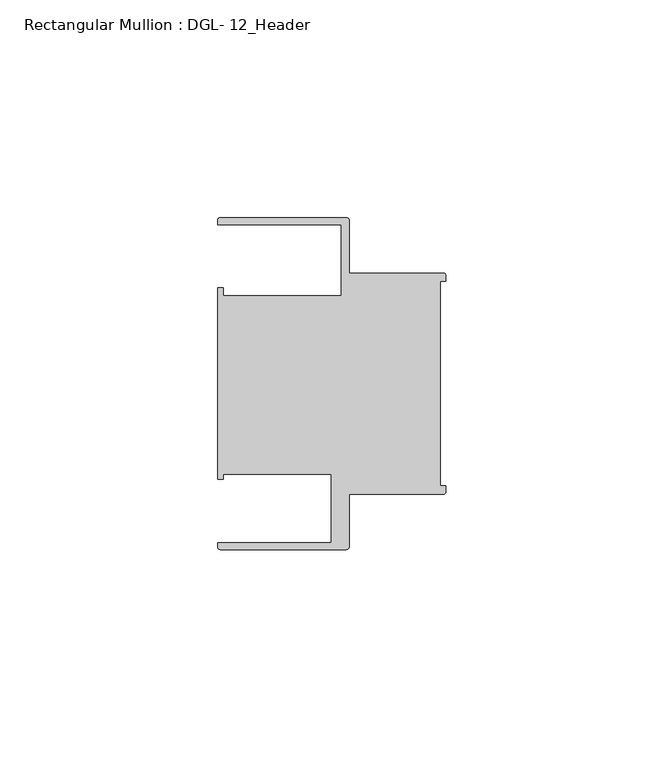
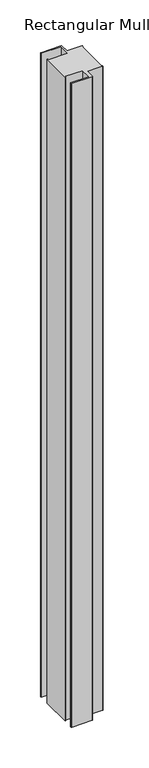
"""IFC4 building model written with IfcOpenShell, lengths in millimetres: member geometry, Rectangular Mullion : DGL- 12_Header."""

import ifcopenshell
import ifcopenshell.guid

model = None  # the IFC model being written
_history = None  # IfcOwnerHistory: only IFC2X3 demands one
_inside = {}  # id of a spatial element -> (the spatial element, [elements in it])
_under = {}  # id of a project, library or spatial element -> (it, [spatial elements below it])
_declared = {}  # id of a project -> (the project, [libraries it declares])
_typed = {}  # id of a type object -> (the type object, [elements of that type])
_made_of = {}  # id of a material, layer set ... -> (it, [elements and type objects made of it])


def new_model(schema):
    """Start an empty IFC model of exactly this schema.

    Asked for "IFC4X3", IfcOpenShell would pick the latest addendum, in which some entities
    have other attributes; the version numbers below select the first issue.
    IFC2X3 requires an IfcOwnerHistory on every rooted entity: one is made here for all.
    """
    global model, _history
    if schema == "IFC4X3":
        model = ifcopenshell.file(schema_version=(4, 3, 0, 0))
    else:
        model = ifcopenshell.file(schema=schema)
    _inside.clear()
    _under.clear()
    _declared.clear()
    _typed.clear()
    _made_of.clear()
    _history = None
    if model.schema == "IFC2X3":
        org = make("IfcOrganization", Name="unknown")
        user = make(
            "IfcPersonAndOrganization",
            ThePerson=make("IfcPerson", FamilyName="unknown"),
            TheOrganization=org,
        )
        app = make(
            "IfcApplication",
            ApplicationDeveloper=org,
            Version="unknown",
            ApplicationFullName="unknown",
            ApplicationIdentifier="unknown",
        )
        _history = make(
            "IfcOwnerHistory",
            OwningUser=user,
            OwningApplication=app,
            ChangeAction="ADDED",
            CreationDate=0,
        )
    return model


def make(cls, **values):
    """One entity of the class cls with the attributes given. An attribute that is None is left unset."""
    return model.create_entity(
        cls, **{name: value for name, value in values.items() if value is not None}
    )


def rooted(cls, **values):
    """An entity with a GlobalId (a new one), such as an element, a storey or a relation."""
    return make(cls, GlobalId=ifcopenshell.guid.new(), OwnerHistory=_history, **values)


def si_unit(unit_type, name, prefix=None):
    """IfcSIUnit, for example si_unit("LENGTHUNIT", "METRE", prefix="MILLI")."""
    return make("IfcSIUnit", UnitType=unit_type, Prefix=prefix, Name=name)


def assignment(units):
    """IfcUnitAssignment: the units of a project."""
    return None if units is None else make("IfcUnitAssignment", Units=units)


def point(xyz):
    """IfcCartesianPoint."""
    return None if xyz is None else make("IfcCartesianPoint", Coordinates=xyz)


def direction(xyz):
    """IfcDirection."""
    return None if xyz is None else make("IfcDirection", DirectionRatios=xyz)


def frame(location, z_axis=None, x_axis=None):
    """IfcAxis2Placement3D, a coordinate frame: its origin and axes. An axis left out is left unset."""
    return make(
        "IfcAxis2Placement3D",
        Location=point(location),
        Axis=direction(z_axis),
        RefDirection=direction(x_axis),
    )


def frame_2d(location, x_axis=None):
    """IfcAxis2Placement2D, a coordinate frame in the plane: its origin and x axis."""
    return make(
        "IfcAxis2Placement2D", Location=point(location), RefDirection=direction(x_axis)
    )


def origin():
    """The frame at (0, 0, 0) with its axes left unset."""
    return frame((0.0, 0.0, 0.0))


def place(relative_to, where):
    """IfcLocalPlacement: puts the frame where relative to a parent placement (None: the world)."""
    return make(
        "IfcLocalPlacement", PlacementRelTo=relative_to, RelativePlacement=where
    )


def context(
    kind, dimensions, precision=None, world=None, true_north=None, identifier=None
):
    """IfcGeometricRepresentationContext, for example the 3D "Model" context."""
    return make(
        "IfcGeometricRepresentationContext",
        ContextIdentifier=identifier,
        ContextType=kind,
        CoordinateSpaceDimension=dimensions,
        Precision=precision,
        WorldCoordinateSystem=world,
        TrueNorth=true_north,
    )


def project(units=None, contexts=None):
    """IfcProject with its units and contexts."""
    return rooted(
        "IfcProject",
        Name="project",
        RepresentationContexts=contexts,
        UnitsInContext=assignment(units),
    )


def spatial(cls, under=None, at=None, **own):
    """A site, building, storey or space (cls), placed at a placement, below another one or the project."""
    s = rooted(cls, ObjectPlacement=at, **own)
    if under is not None:
        _under.setdefault(under.id(), (under, []))[1].append(s)
    return s


def polyline(points):
    """IfcPolyline through the points."""
    return make("IfcPolyline", Points=[point(p) for p in points])


def circle_curve(where, radius):
    """IfcCircle in the frame where."""
    return make("IfcCircle", Position=where, Radius=radius)


def trimmed(basis, trim1, trim2, sense, master):
    """IfcTrimmedCurve: the piece of a basis curve between two trims."""
    return make(
        "IfcTrimmedCurve",
        BasisCurve=basis,
        Trim1=trim1,
        Trim2=trim2,
        SenseAgreement=sense,
        MasterRepresentation=master,
    )


def segment(curve, same_sense, transition):
    """IfcCompositeCurveSegment."""
    return make(
        "IfcCompositeCurveSegment",
        Transition=transition,
        SameSense=same_sense,
        ParentCurve=curve,
    )


def composite_curve(segments, self_intersect=None):
    """IfcCompositeCurve: segments joined end to end."""
    return make("IfcCompositeCurve", Segments=segments, SelfIntersect=self_intersect)


def outline(outer, holes=None, kind="AREA"):
    """IfcArbitraryClosedProfileDef: a profile drawn as a closed curve; with holes, ...WithVoids."""
    if holes is None:
        return make("IfcArbitraryClosedProfileDef", ProfileType=kind, OuterCurve=outer)
    return make(
        "IfcArbitraryProfileDefWithVoids",
        ProfileType=kind,
        OuterCurve=outer,
        InnerCurves=holes,
    )


def extrude(swept, where, along, depth):
    """IfcExtrudedAreaSolid: the profile swept, set in the frame where, extruded along a direction by depth."""
    return make(
        "IfcExtrudedAreaSolid",
        SweptArea=swept,
        Position=where,
        ExtrudedDirection=direction(along),
        Depth=depth,
    )


def shape(context_of_items, identifier, shape_type, items):
    """IfcShapeRepresentation: the items that make up one representation, for example the "Body"."""
    return make(
        "IfcShapeRepresentation",
        ContextOfItems=context_of_items,
        RepresentationIdentifier=identifier,
        RepresentationType=shape_type,
        Items=items,
    )


def source(mapping_origin, context_of_items, identifier, shape_type, items):
    """IfcRepresentationMap: a shape defined once, which mapped items show again and again."""
    return make(
        "IfcRepresentationMap",
        MappingOrigin=mapping_origin,
        MappedRepresentation=shape(context_of_items, identifier, shape_type, items),
    )


def transform(
    local_origin,
    x_axis=None,
    y_axis=None,
    z_axis=None,
    scale=None,
    scale2=None,
    scale3=None,
    uniform=True,
):
    """IfcCartesianTransformationOperator3D, or its non-uniform kind. x_axis, y_axis, z_axis: its Axis1, 2, 3."""
    if uniform:
        return make(
            "IfcCartesianTransformationOperator3D",
            Axis1=direction(x_axis),
            Axis2=direction(y_axis),
            LocalOrigin=point(local_origin),
            Scale=scale,
            Axis3=direction(z_axis),
        )
    return make(
        "IfcCartesianTransformationOperator3DnonUniform",
        Axis1=direction(x_axis),
        Axis2=direction(y_axis),
        LocalOrigin=point(local_origin),
        Scale=scale,
        Axis3=direction(z_axis),
        Scale2=scale2,
        Scale3=scale3,
    )


def mapped(mapping_source, mapping_target):
    """IfcMappedItem: shows the shape of a source again, moved by a transform."""
    return make(
        "IfcMappedItem", MappingSource=mapping_source, MappingTarget=mapping_target
    )


def made_of(thing, what):
    """Note that an element or type object is made of a material, layer set ...; save() writes the relation."""
    if what is not None:
        _made_of.setdefault(what.id(), (what, []))[1].append(thing)
    return thing


def element(
    cls,
    number,
    at=None,
    inside=None,
    cuts=None,
    type_object=None,
    material=None,
    context=None,
    identifier="Body",
    shape_type=None,
    held_by="IfcProductDefinitionShape",
    body=None,
    shapes=None,
    **own,
):
    """One element of the class cls, such as IfcWall. Its Tag is "e" and its number.

    at: its placement. inside: the storey or other place that contains it. cuts: it is an
    opening in that element (IfcRelVoidsElement). A single representation is given by context,
    identifier, shape_type and body (its items); several are given by shapes. held_by: the class
    of the entity that holds the representations. save() writes the other relations.
    """
    e = rooted(cls, Tag="e%d" % number, ObjectPlacement=at, **own)
    if body is not None:
        shapes = [shape(context, identifier, shape_type, body)]
    if shapes is not None:
        e.Representation = make(held_by, Representations=shapes)
    if inside is not None:
        _inside.setdefault(inside.id(), (inside, []))[1].append(e)
    if cuts is not None:
        rooted(
            "IfcRelVoidsElement", RelatingBuildingElement=cuts, RelatedOpeningElement=e
        )
    if type_object is not None:
        _typed.setdefault(type_object.id(), (type_object, []))[1].append(e)
    return made_of(e, material)


def aggregate(whole, parts):
    """IfcRelAggregates: a whole, such as a stair, and the parts it consists of."""
    return rooted("IfcRelAggregates", RelatingObject=whole, RelatedObjects=parts)


def save(model, path):
    """Write the relations noted so far, then the file.

    IfcRelAggregates (storeys below a building ...), IfcRelContainedInSpatialStructure (elements
    in a storey), IfcRelDefinesByType, IfcRelAssociatesMaterial and IfcRelDeclares: one each for
    every whole, place, type object, material and project.
    """
    for whole, parts in _under.values():
        aggregate(whole, parts)
    for where, things in _inside.values():
        rooted(
            "IfcRelContainedInSpatialStructure",
            RelatedElements=things,
            RelatingStructure=where,
        )
    for kind, things in _typed.values():
        rooted("IfcRelDefinesByType", RelatedObjects=things, RelatingType=kind)
    for what, things in _made_of.values():
        rooted("IfcRelAssociatesMaterial", RelatedObjects=things, RelatingMaterial=what)
    for by, libraries in _declared.values():
        rooted("IfcRelDeclares", RelatingContext=by, RelatedDefinitions=libraries)
    model.write(path)


def rectangular_mullion_dgl_12_header_de9d89e5(model_context):
    return source(origin(), model_context, "Body", "SweptSolid", [
        extrude(outline(composite_curve([segment(trimmed(circle_curve(frame_2d((-0.5953125, 24.8046875)), 0.5953125), [point((-0.5953125, 25.4))], [point((0.0, 24.8046875))], False, "CARTESIAN"), True, "CONTINUOUS"), segment(polyline([(0.0, 24.8046875), (0.0, 23.4882401), (-1.30175, 23.4882401), (-1.30175, -23.4882401), (0.0, -23.4882401), (0.0, -24.8046875)]), True, "CONTINUOUS"), segment(trimmed(circle_curve(frame_2d((-0.5953125, -24.8046875)), 0.5953125), [point((0.0, -24.8046875))], [point((-0.5953125, -25.4))], False, "CARTESIAN"), True, "CONTINUOUS"), segment(polyline([(-0.5953125, -25.4), (-22.2332076, -25.4), (-22.2332076, -37.5047035)]), True, "CONTINUOUS"), segment(trimmed(circle_curve(frame_2d((-22.8285201, -37.5047035)), 0.5953125), [point((-22.2332076, -37.5047035))], [point((-22.8285201, -38.100016))], False, "CARTESIAN"), True, "CONTINUOUS"), segment(polyline([(-22.8285201, -38.100016), (-51.7968699, -38.100016)]), True, "CONTINUOUS"), segment(trimmed(circle_curve(frame_2d((-51.7968699, -37.5047035)), 0.5953125), [point((-51.7968699, -38.100016))], [point((-52.3921824, -37.5047035))], False, "CARTESIAN"), True, "CONTINUOUS"), segment(polyline([(-52.3921824, -37.5047035), (-52.3921824, -36.512516), (-26.3720794, -36.512516), (-26.3720794, -20.8257348), (-51.1280305, -20.8257348), (-51.1280305, -21.9710976), (-52.3948122, -21.9710976), (-52.3948122, 21.9710976), (-51.1280305, 21.9710976), (-51.1280305, 20.1823589), (-24.0747075, 20.1823589), (-24.0747075, 36.5123462), (-52.3921824, 36.5123462), (-52.3921824, 37.5043667)]), True, "CONTINUOUS"), segment(trimmed(circle_curve(frame_2d((-51.7968699, 37.5043667)), 0.5953125), [point((-52.3921824, 37.5043667))], [point((-51.7968699, 38.0996792))], False, "CARTESIAN"), True, "CONTINUOUS"), segment(polyline([(-51.7968699, 38.0996792), (-22.8285201, 38.0996792)]), True, "CONTINUOUS"), segment(trimmed(circle_curve(frame_2d((-22.8285201, 37.5043667)), 0.5953125), [point((-22.8285201, 38.0996792))], [point((-22.2332076, 37.5043667))], False, "CARTESIAN"), True, "CONTINUOUS"), segment(polyline([(-22.2332076, 37.5043667), (-22.2332076, 25.4), (-0.5953125, 25.4)]), True, "CONTINUOUS")], self_intersect=False)), frame((0.0, 0.0, -966.9368053), z_axis=(0.0, 0.0, 1.0), x_axis=(1.0, 0.0, 0.0)), (0.0, 0.0, 1.0), 966.9368053),
    ])


if __name__ == "__main__":
    model = new_model("IFC4")
    model_context = context("Model", 3, world=origin())
    ifc_project = project(units=[si_unit("LENGTHUNIT", "METRE", prefix="MILLI")], contexts=[model_context])
    site = spatial("IfcSite", under=ifc_project)
    building = spatial("IfcBuilding", under=site)
    placement = place(None, origin())
    rectangular_mullion_dgl_12_header_shape = rectangular_mullion_dgl_12_header_de9d89e5(model_context)
    element("IfcMember", 1, ObjectType="Rectangular Mullion : DGL- 12_Header", at=placement, inside=building, context=model_context, shape_type="MappedRepresentation", body=[
        mapped(rectangular_mullion_dgl_12_header_shape, transform((0.0, 0.0, 0.0), x_axis=(1.0, 0.0, 0.0), y_axis=(0.0, 1.0, 0.0), z_axis=(0.0, 0.0, 1.0))),
    ])
    save(model, "model.ifc")
